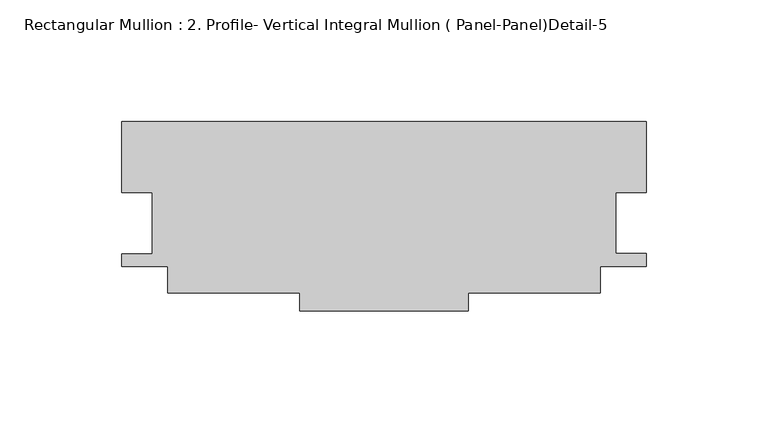
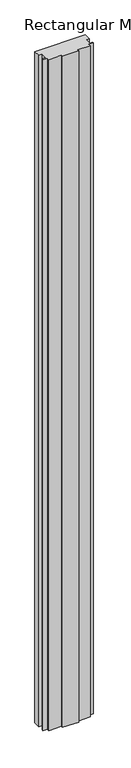
"""IFC4 building model written with IfcOpenShell, lengths in millimetres: member geometry, Rectangular Mullion : 2. Profile- Vertical Integral Mullion ( Panel-Panel)Detail-5."""

from ifc_helpers import new_model, si_unit, frame, origin, place, context, project, spatial, polyline, outline, extrude, source, transform, mapped, element, save


def rectangular_mullion_2_profile_vertical_integral_mullion_64090df6(model_context):
    return source(origin(), model_context, "Body", "SweptSolid", [
        extrude(outline(polyline([(-215.8661127, -1.4023337), (-215.8661127, 27.8306894), (-0.0104712, 27.8306894), (-0.0104712, -1.4823822), (-12.6693635, -1.4823822), (-12.6693635, -26.6364592), (0.0, -26.6364592), (0.0, -31.8438961), (-19.051341, -31.8438961), (-19.051341, -42.8682721), (-73.235036, -42.8682721), (-73.235036, -50.2565743), (-142.6402321, -50.2565743), (-142.6402321, -42.8682721), (-196.8254969, -42.8682721), (-196.8254969, -31.8438961), (-215.8768379, -31.8438961), (-215.8768379, -26.6415539), (-203.1984737, -26.6415539), (-203.1984737, -1.4023337), (-215.8661127, -1.4023337)])), frame((0.0, 0.0, -3048.0), z_axis=(0.0, 0.0, 1.0), x_axis=(1.0, 0.0, 0.0)), (0.0, 0.0, 1.0), 3048.0),
    ])


if __name__ == "__main__":
    model = new_model("IFC4")
    model_context = context("Model", 3, world=origin())
    ifc_project = project(units=[si_unit("LENGTHUNIT", "METRE", prefix="MILLI")], contexts=[model_context])
    site = spatial("IfcSite", under=ifc_project)
    building = spatial("IfcBuilding", under=site)
    placement = place(None, origin())
    rectangular_mullion_2_profile_vertical_integral_mullion_shape = rectangular_mullion_2_profile_vertical_integral_mullion_64090df6(model_context)
    element("IfcMember", 1, ObjectType="Rectangular Mullion : 2. Profile- Vertical Integral Mullion ( Panel-Panel)Detail-5", at=placement, inside=building, context=model_context, shape_type="MappedRepresentation", body=[
        mapped(rectangular_mullion_2_profile_vertical_integral_mullion_shape, transform((0.0, 0.0, 0.0), x_axis=(1.0, 0.0, 0.0), y_axis=(0.0, 1.0, 0.0), z_axis=(0.0, 0.0, 1.0))),
    ])
    save(model, "model.ifc")
